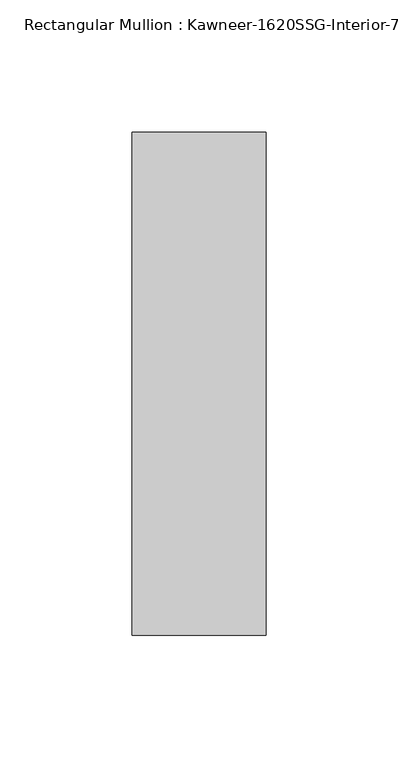
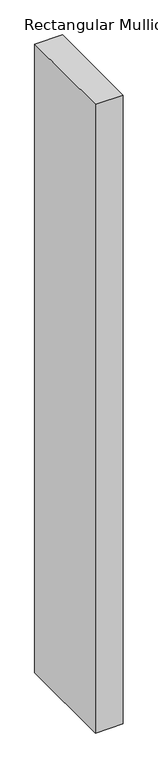
"""IFC4 building model written with IfcOpenShell, lengths in millimetres: member geometry."""

from ifc_helpers import new_model, si_unit, frame, origin, place, context, project, spatial, polyline, outline, extrude, source, transform, mapped, element, save


def member_b22781ae(model_context):
    return source(origin(), model_context, "Body", "SweptSolid", [
        extrude(outline(polyline([(25.4, -161.925), (-25.4, -161.925), (-25.4, 28.575), (25.4, 28.575), (25.4, -161.925)])), frame((0.0, 0.0, -1206.5), z_axis=(0.0, 0.0, 1.0), x_axis=(1.0, 0.0, 0.0)), (0.0, 0.0, 1.0), 1206.5),
    ])


if __name__ == "__main__":
    model = new_model("IFC4")
    model_context = context("Model", 3, world=origin())
    ifc_project = project(units=[si_unit("LENGTHUNIT", "METRE", prefix="MILLI")], contexts=[model_context])
    site = spatial("IfcSite", under=ifc_project)
    building = spatial("IfcBuilding", under=site)
    placement = place(None, origin())
    member_shape = member_b22781ae(model_context)
    element("IfcMember", 1, ObjectType="Rectangular Mullion : Kawneer-1620SSG-Interior-7.5\"-1/4\"Infill", at=placement, inside=building, context=model_context, shape_type="MappedRepresentation", body=[
        mapped(member_shape, transform((0.0, 0.0, 0.0), x_axis=(1.0, 0.0, 0.0), y_axis=(0.0, 1.0, 0.0), z_axis=(0.0, 0.0, 1.0))),
    ])
    save(model, "model.ifc")
